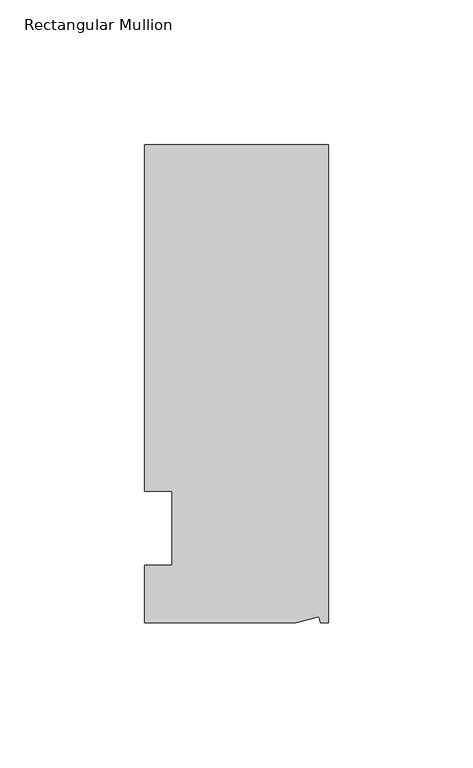
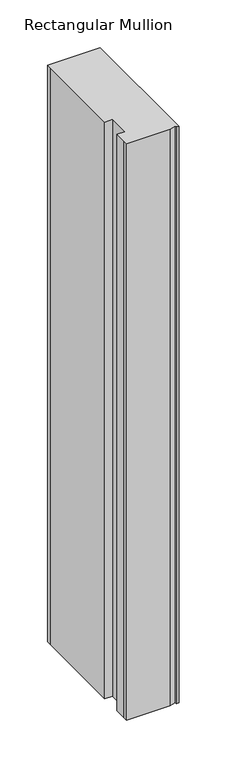
"""IFC4 building model written with IfcOpenShell, lengths in millimetres: member geometry, Rectangular Mullion."""

from ifc_helpers import new_model, si_unit, origin, place, context, project, spatial, faceted_brep, source, transform, mapped, element, save


def rectangular_mullion_57bd184b(model_context):
    return source(origin(), model_context, "Body", "Brep", [
        faceted_brep([(0.0, 132.5561012, 0.0), (-63.5, 132.5561012, 0.0), (-63.5, 126.2061012, 0.0), (-63.5, 12.8488281, 0.0), (-53.975, 12.8488281, 0.0), (-53.975, -12.7, 0.0), (-63.5, -12.7, 0.0), (-63.5, -26.1938988, 0.0), (-63.5076469, -32.5438988, 0.0), (-11.1125, -32.5438988, 0.0), (-3.3223696, -30.4565397, 0.0), (-2.7630634, -32.5438988, 0.0), (0.0, -32.5438988, 0.0), (0.0, 132.5561012, -736.6), (0.0, -32.5438988, -736.6), (-2.7630634, -32.5438988, -736.6), (-3.3223696, -30.4565397, -736.6), (-11.1125, -32.5438988, -736.6), (-63.5076469, -32.5438988, -736.6), (-63.5076469, -26.1938988, -736.6), (-63.5, -12.7, -736.6), (-53.975, -12.7, -736.6), (-53.975, 12.8488281, -736.6), (-63.5, 12.8488281, -736.6), (-63.5, 126.2061012, -736.6), (-63.5, 132.5561012, -736.6)], [[[0, 1, 2, 3, 4, 5, 6, 7, 8, 9, 10, 11, 12]], [[13, 14, 15, 16, 17, 18, 19, 20, 21, 22, 23, 24, 25]], [[0, 12, 14, 13]], [[1, 0, 13, 25]], [[3, 2, 24, 23]], [[4, 3, 23, 22]], [[5, 4, 22, 21]], [[6, 5, 21, 20]], [[7, 6, 20, 19]], [[9, 8, 18, 17]], [[10, 9, 17, 16]], [[11, 10, 16, 15]], [[12, 11, 15, 14]], [[2, 1, 25, 24]], [[8, 7, 19, 18]]]),
    ])


if __name__ == "__main__":
    model = new_model("IFC4")
    model_context = context("Model", 3, world=origin())
    ifc_project = project(units=[si_unit("LENGTHUNIT", "METRE", prefix="MILLI")], contexts=[model_context])
    site = spatial("IfcSite", under=ifc_project)
    building = spatial("IfcBuilding", under=site)
    placement = place(None, origin())
    rectangular_mullion_shape = rectangular_mullion_57bd184b(model_context)
    element("IfcMember", 1, ObjectType="Rectangular Mullion", at=placement, inside=building, context=model_context, shape_type="MappedRepresentation", body=[
        mapped(rectangular_mullion_shape, transform((0.0, 0.0, 0.0), x_axis=(1.0, 0.0, 0.0), y_axis=(0.0, 1.0, 0.0), z_axis=(0.0, 0.0, 1.0))),
    ])
    save(model, "model.ifc")
